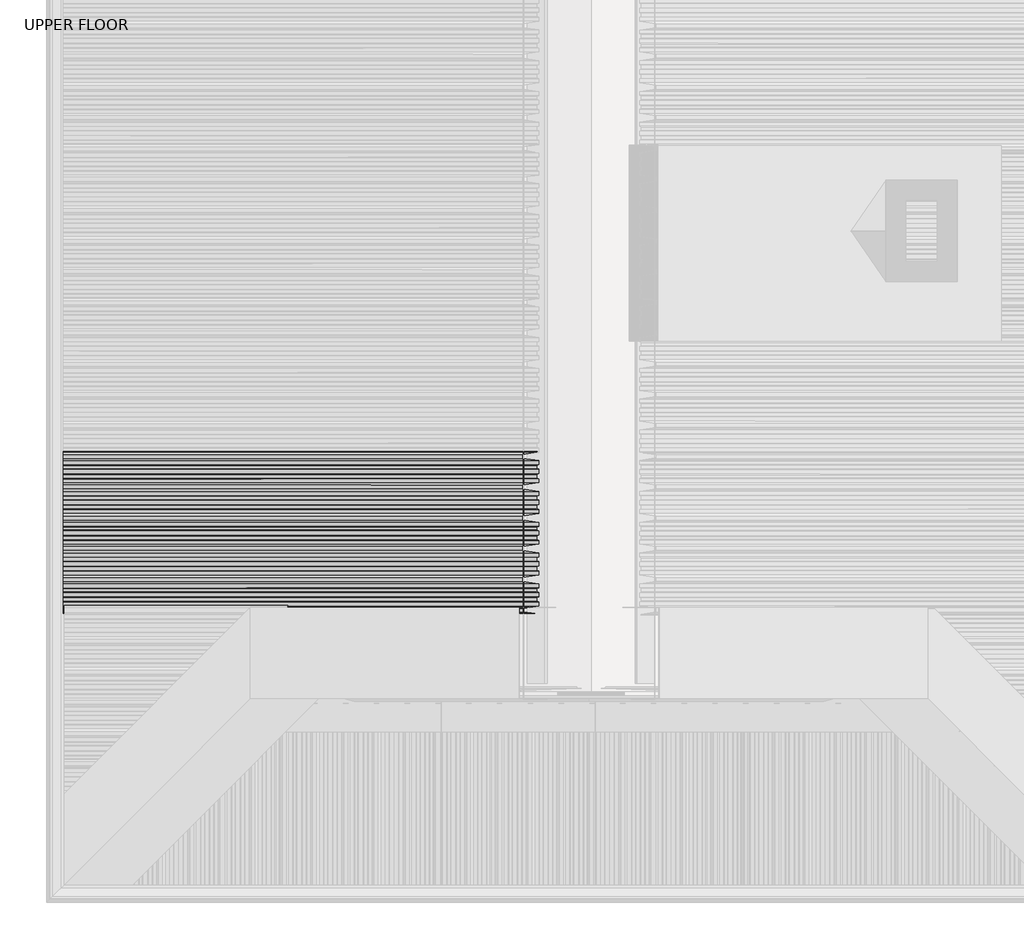
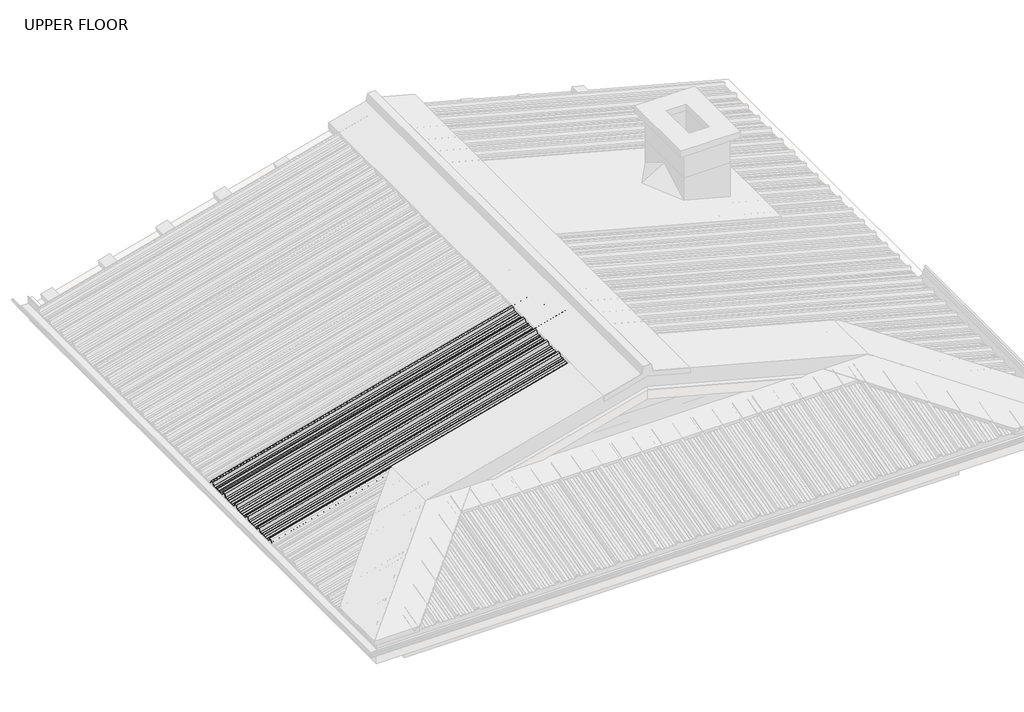
# One storey, part 11 of 21: 1 beam.
"""IFC4 building model written with IfcOpenShell, lengths in millimetres."""

from ifc_helpers import new_model, si_unit, frame, origin, place, context, project, spatial, circle_curve, ellipse_curve, element, save
from ifc_brep_helpers import plane_surface, cylinder_surface, advanced_brep

model = new_model("IFC4")

# Units and contexts
model_context = context("Model", 3, world=origin())
ifc_project = project(units=[si_unit("LENGTHUNIT", "METRE", prefix="MILLI")], contexts=[model_context])

# Site, building, storey
site = spatial("IfcSite", under=ifc_project)
building = spatial("IfcBuilding", under=site)
storey = spatial("IfcBuildingStorey", under=building, Name="UPPER FLOOR", Elevation=2700.0)

# Beam
placement = place(None, origin())
element("IfcBeam", 1, at=placement, inside=storey, context=model_context, shape_type="AdvancedBrep", body=[
    advanced_brep(
    [(1917.2790312, -3263.8606242, 3943.7544033), (1916.7613931, -3259.7340222, 3945.6862549), (1916.7613931, -3242.1271871, 3945.6862549), (1917.2790312, -3238.8630231, 3943.7544033), (1917.2790312, -3216.5760149, 3943.7544033), (1916.7613931, -3213.5345564, 3945.6862549), (1916.7613931, -3197.8687525, 3945.6862549), (1917.2790312, -3194.8251106, 3943.7544033), (1917.2790312, -3174.5026721, 3943.7544033), (1911.8438312, -3162.5173163, 3964.0388456), (1911.8438312, -3143.516097, 3964.0388456), (1917.2790312, -3131.5026721, 3943.7544033), (1917.2790312, -3111.8606242, 3943.7544033), (1916.7613931, -3107.7340222, 3945.6862549), (1916.7613931, -3090.1271871, 3945.6862549), (1917.2790312, -3086.8630231, 3943.7544033), (1917.2790312, -3064.5760149, 3943.7544033), (1916.7613931, -3061.5345564, 3945.6862549), (1916.7613931, -3045.8687525, 3945.6862549), (1917.2790312, -3042.8251106, 3943.7544033), (1917.2790312, -3022.5026721, 3943.7544033), (1911.8438312, -3010.5173163, 3964.0388456), (1911.8438312, -2991.516097, 3964.0388456), (1917.2790312, -2979.5026721, 3943.7544033), (1917.2790312, -2959.8606242, 3943.7544033), (1916.7613931, -2955.7340222, 3945.6862549), (1916.7613931, -2938.1271871, 3945.6862549), (1917.2790312, -2934.8630231, 3943.7544033), (1917.2790312, -2912.5760149, 3943.7544033), (1916.7613931, -2909.5345564, 3945.6862549), (1916.7613931, -2893.8687525, 3945.6862549), (1917.2790312, -2890.8251106, 3943.7544033), (1917.2790312, -2870.5026721, 3943.7544033), (1911.8438312, -2858.5173163, 3964.0388456), (1911.8438312, -2839.516097, 3964.0388456), (1917.2790312, -2827.5026721, 3943.7544033), (1917.2790312, -2807.8606242, 3943.7544033), (1916.7613931, -2803.7340222, 3945.6862549), (1916.7613931, -2786.1271871, 3945.6862549), (1917.2790312, -2782.8630231, 3943.7544033), (1917.2790312, -2760.5760149, 3943.7544033), (1916.7613931, -2757.5345564, 3945.6862549), (1916.7613931, -2741.8687525, 3945.6862549), (1917.2790312, -2738.8251106, 3943.7544033), (1917.2790312, -2718.5026721, 3943.7544033), (1911.8438312, -2706.5173163, 3964.0388456), (1911.8438312, -2687.516097, 3964.0388456), (1917.2790312, -2675.5026721, 3943.7544033), (1917.2790312, -2655.8606242, 3943.7544033), (1916.7613931, -2651.7340222, 3945.6862549), (1916.7613931, -2634.1271871, 3945.6862549), (1917.2790312, -2630.8630231, 3943.7544033), (1917.2790312, -2608.5760149, 3943.7544033), (1916.7613931, -2605.5345564, 3945.6862549), (1916.7613931, -2589.8687525, 3945.6862549), (1917.2790312, -2586.8251106, 3943.7544033), (1917.2790312, -2566.5026721, 3943.7544033), (1911.8438312, -2554.5173163, 3964.0388456), (1911.8438312, -2535.516097, 3964.0388456), (1916.7613931, -2524.6468079, 3945.6862549), (1916.7613931, -2521.2112782, 3945.6862549), (1916.502574, -2521.2112782, 3946.6521808), (1916.502574, -2524.1474175, 3946.6521808), (1911.5850122, -2535.0167067, 3965.0047715), (1911.5850122, -2555.0167067, 3965.0047715), (1917.0202121, -2567.0020625, 3944.7203291), (1917.0202121, -2586.5259596, 3944.7203291), (1916.502574, -2589.5696015, 3946.6521808), (1916.502574, -2605.8338868, 3946.6521808), (1917.0202121, -2608.8753453, 3944.7203291), (1917.0202121, -2630.5810278, 3944.7203291), (1916.502574, -2633.8451918, 3946.6521808), (1916.502574, -2651.9635821, 3946.6521808), (1917.0202121, -2656.0901841, 3944.7203291), (1917.0202121, -2675.0032818, 3944.7203291), (1911.5850122, -2687.0167067, 3965.0047715), (1911.5850122, -2707.0167067, 3965.0047715), (1917.0202121, -2719.0020625, 3944.7203291), (1917.0202121, -2738.5259596, 3944.7203291), (1916.502574, -2741.5696015, 3946.6521808), (1916.502574, -2757.8338868, 3946.6521808), (1917.0202121, -2760.8753453, 3944.7203291), (1917.0202121, -2782.5810278, 3944.7203291), (1916.502574, -2785.8451918, 3946.6521808), (1916.502574, -2803.9635821, 3946.6521808), (1917.0202121, -2808.0901841, 3944.7203291), (1917.0202121, -2827.0032818, 3944.7203291), (1911.5850122, -2839.0167067, 3965.0047715), (1911.5850122, -2859.0167067, 3965.0047715), (1917.0202121, -2871.0020625, 3944.7203291), (1917.0202121, -2890.5259596, 3944.7203291), (1916.502574, -2893.5696015, 3946.6521808), (1916.502574, -2909.8338868, 3946.6521808), (1917.0202121, -2912.8753453, 3944.7203291), (1917.0202121, -2934.5810278, 3944.7203291), (1916.502574, -2937.8451918, 3946.6521808), (1916.502574, -2955.9635821, 3946.6521808), (1917.0202121, -2960.0901841, 3944.7203291), (1917.0202121, -2979.0032818, 3944.7203291), (1911.5850122, -2991.0167067, 3965.0047715), (1911.5850122, -3011.0167067, 3965.0047715), (1917.0202121, -3023.0020625, 3944.7203291), (1917.0202121, -3042.5259596, 3944.7203291), (1916.502574, -3045.5696015, 3946.6521808), (1916.502574, -3061.8338868, 3946.6521808), (1917.0202121, -3064.8753453, 3944.7203291), (1917.0202121, -3086.5810278, 3944.7203291), (1916.502574, -3089.8451918, 3946.6521808), (1916.502574, -3107.9635821, 3946.6521808), (1917.0202121, -3112.0901841, 3944.7203291), (1917.0202121, -3131.0032818, 3944.7203291), (1911.5850122, -3143.0167067, 3965.0047715), (1911.5850122, -3163.0167067, 3965.0047715), (1917.0202121, -3175.0020625, 3944.7203291), (1917.0202121, -3194.5259596, 3944.7203291), (1916.502574, -3197.5696015, 3946.6521808), (1916.502574, -3213.8338868, 3946.6521808), (1917.0202121, -3216.8753453, 3944.7203291), (1917.0202121, -3238.5810278, 3944.7203291), (1916.502574, -3241.8451918, 3946.6521808), (1916.502574, -3259.9635821, 3946.6521808), (1917.0202121, -3264.0901841, 3944.7203291), (1917.0202121, -3285.3074186, 3944.7203291), (1912.1026503, -3296.1767078, 3963.0729198), (1912.1026503, -3313.8553585, 3963.0729198), (1915.7270273, -3321.8476034, 3949.5465605), (1915.8462625, -3321.0404117, 3949.1015686), (1912.3614693, -3313.3559682, 3962.106994), (1912.3614693, -3296.6760982, 3962.106994), (1917.2790312, -3285.806809, 3943.7544033), (-595.339528, -3259.7340222, 3272.5708418), (-595.339528, -3242.1271871, 3272.5708418), (-595.339528, -3238.8630231, 3270.5002895), (-595.339528, -3216.5760149, 3270.5002895), (-595.339528, -3213.5345564, 3272.5708418), (-595.339528, -3197.8687525, 3272.5708418), (-595.339528, -3194.8251106, 3270.5002895), (-595.339528, -3174.5026721, 3270.5002895), (-595.339528, -3162.5173163, 3292.2410893), (-595.339528, -3143.516097, 3292.2410893), (-595.339528, -3131.5026721, 3270.5002895), (-595.339528, -3111.8606242, 3270.5002895), (-595.339528, -3107.7340222, 3272.5708418), (-595.339528, -3090.1271871, 3272.5708418), (-595.339528, -3086.8630231, 3270.5002895), (-595.339528, -3064.5760149, 3270.5002895), (-595.339528, -3061.5345564, 3272.5708418), (-595.339528, -3045.8687525, 3272.5708418), (-595.339528, -3042.8251106, 3270.5002895), (-595.339528, -3022.5026721, 3270.5002895), (-595.339528, -3010.5173163, 3292.2410893), (-595.339528, -2991.516097, 3292.2410893), (-595.339528, -2979.5026721, 3270.5002895), (-595.339528, -2959.8606242, 3270.5002895), (-595.339528, -2955.7340222, 3272.5708418), (-595.339528, -2938.1271871, 3272.5708418), (-595.339528, -2934.8630231, 3270.5002895), (-595.339528, -2912.5760149, 3270.5002895), (-595.339528, -2909.5345564, 3272.5708418), (-595.339528, -2893.8687525, 3272.5708418), (-595.339528, -2890.8251106, 3270.5002895), (-595.339528, -2870.5026721, 3270.5002895), (-595.339528, -2858.5173163, 3292.2410893), (-595.339528, -2839.516097, 3292.2410893), (-595.339528, -2827.5026721, 3270.5002895), (-595.339528, -2807.8606242, 3270.5002895), (-595.339528, -2803.7340222, 3272.5708418), (-595.339528, -2786.1271871, 3272.5708418), (-595.339528, -2782.8630231, 3270.5002895), (-595.339528, -2760.5760149, 3270.5002895), (-595.339528, -2757.5345564, 3272.5708418), (-595.339528, -2741.8687525, 3272.5708418), (-595.339528, -2738.8251106, 3270.5002895), (-595.339528, -2718.5026721, 3270.5002895), (-595.339528, -2706.5173163, 3292.2410893), (-595.339528, -2687.516097, 3292.2410893), (-595.339528, -2675.5026721, 3270.5002895), (-595.339528, -2655.8606242, 3270.5002895), (-595.339528, -2651.7340222, 3272.5708418), (-595.339528, -2634.1271871, 3272.5708418), (-595.339528, -2630.8630231, 3270.5002895), (-595.339528, -2608.5760149, 3270.5002895), (-595.339528, -2605.5345564, 3272.5708418), (-595.339528, -2589.8687525, 3272.5708418), (-595.339528, -2586.8251106, 3270.5002895), (-595.339528, -2566.5026721, 3270.5002895), (-595.339528, -2554.5173163, 3292.2410893), (-595.339528, -2535.516097, 3292.2410893), (-595.339528, -2524.6468079, 3272.5708418), (-595.339528, -2521.2112782, 3272.5708418), (-595.339528, -2521.2112782, 3273.606118), (-595.339528, -2524.1474175, 3273.606118), (-595.339528, -2535.0167067, 3293.2763654), (-595.339528, -2555.0167067, 3293.2763654), (-595.339528, -2567.0020625, 3271.5355656), (-595.339528, -2586.5259596, 3271.5355656), (-595.339528, -2589.5696015, 3273.606118), (-595.339528, -2605.8338868, 3273.606118), (-595.339528, -2608.8753453, 3271.5355656), (-595.339528, -2630.5810278, 3271.5355656), (-595.339528, -2633.8451918, 3273.606118), (-595.339528, -2651.9635821, 3273.606118), (-595.339528, -2656.0901841, 3271.5355656), (-595.339528, -2675.0032818, 3271.5355656), (-595.339528, -2687.0167067, 3293.2763654), (-595.339528, -2707.0167067, 3293.2763654), (-595.339528, -2719.0020625, 3271.5355656), (-595.339528, -2738.5259596, 3271.5355656), (-595.339528, -2741.5696015, 3273.606118), (-595.339528, -2757.8338868, 3273.606118), (-595.339528, -2760.8753453, 3271.5355656), (-595.339528, -2782.5810278, 3271.5355656), (-595.339528, -2785.8451918, 3273.606118), (-595.339528, -2803.9635821, 3273.606118), (-595.339528, -2808.0901841, 3271.5355656), (-595.339528, -2827.0032818, 3271.5355656), (-595.339528, -2839.0167067, 3293.2763654), (-595.339528, -2859.0167067, 3293.2763654), (-595.339528, -2871.0020625, 3271.5355656), (-595.339528, -2890.5259596, 3271.5355656), (-595.339528, -2893.5696015, 3273.606118), (-595.339528, -2909.8338868, 3273.606118), (-595.339528, -2912.8753453, 3271.5355656), (-595.339528, -2934.5810278, 3271.5355656), (-595.339528, -2937.8451918, 3273.606118), (-595.339528, -2955.9635821, 3273.606118), (-595.339528, -2960.0901841, 3271.5355656), (-595.339528, -2979.0032818, 3271.5355656), (-595.339528, -2991.0167067, 3293.2763654), (-595.339528, -3011.0167067, 3293.2763654), (-595.339528, -3023.0020625, 3271.5355656), (-595.339528, -3042.5259596, 3271.5355656), (-595.339528, -3045.5696015, 3273.606118), (-595.339528, -3061.8338868, 3273.606118), (-595.339528, -3064.8753453, 3271.5355656), (-595.339528, -3086.5810278, 3271.5355656), (-595.339528, -3089.8451918, 3273.606118), (-595.339528, -3107.9635821, 3273.606118), (-595.339528, -3112.0901841, 3271.5355656), (-595.339528, -3131.0032818, 3271.5355656), (-595.339528, -3143.0167067, 3293.2763654), (-595.339528, -3163.0167067, 3293.2763654), (-595.339528, -3175.0020625, 3271.5355656), (-595.339528, -3194.5259596, 3271.5355656), (-595.339528, -3263.8606242, 3270.5002895), (-595.339528, -3197.5696015, 3273.606118), (-595.339528, -3213.8338868, 3273.606118), (-595.339528, -3216.8753453, 3271.5355656), (-595.339528, -3238.5810278, 3271.5355656), (-595.339528, -3241.8451918, 3273.606118), (-595.339528, -3259.9635821, 3273.606118), (-595.339528, -3264.0901841, 3271.5355656), (-595.339528, -3285.3074186, 3271.5355656), (-595.339528, -3296.1767078, 3291.2058131), (-595.339528, -3313.8553585, 3291.2058131), (-595.339528, -3321.8476034, 3276.7083049), (-595.339528, -3321.0404117, 3276.231364), (-595.339528, -3313.3559682, 3290.1705369), (-595.339528, -3296.6760982, 3290.1705369), (-595.339528, -3285.806809, 3270.5002895)],
    [
        (0, 1),
        (1, 2),
        (2, 3),
        (3, 4),
        (4, 5),
        (5, 6),
        (6, 7),
        (7, 8),
        (8, 9),
        (9, 10),
        (10, 11),
        (11, 12),
        (12, 13),
        (13, 14),
        (14, 15),
        (15, 16),
        (16, 17),
        (17, 18),
        (18, 19),
        (19, 20),
        (20, 21),
        (21, 22),
        (22, 23),
        (23, 24),
        (24, 25),
        (25, 26),
        (26, 27),
        (27, 28),
        (28, 29),
        (29, 30),
        (30, 31),
        (31, 32),
        (32, 33),
        (33, 34),
        (34, 35),
        (35, 36),
        (36, 37),
        (37, 38),
        (38, 39),
        (39, 40),
        (40, 41),
        (41, 42),
        (42, 43),
        (43, 44),
        (44, 45),
        (45, 46),
        (46, 47),
        (47, 48),
        (48, 49),
        (49, 50),
        (50, 51),
        (51, 52),
        (52, 53),
        (53, 54),
        (54, 55),
        (55, 56),
        (56, 57),
        (57, 58),
        (58, 59),
        (59, 60),
        (60, 61, circle_curve(frame((1916.6319836, -2521.2112782, 3946.1692179), z_axis=(0.9659258262890683, 0.0, 0.25881904510252074), x_axis=(0.0, 1.0, 0.0)), 0.5)),
        (61, 62),
        (62, 63),
        (63, 64),
        (64, 65),
        (65, 66),
        (66, 67),
        (67, 68),
        (68, 69),
        (69, 70),
        (70, 71),
        (71, 72),
        (72, 73),
        (73, 74),
        (74, 75),
        (75, 76),
        (76, 77),
        (77, 78),
        (78, 79),
        (79, 80),
        (80, 81),
        (81, 82),
        (82, 83),
        (83, 84),
        (84, 85),
        (85, 86),
        (86, 87),
        (87, 88),
        (88, 89),
        (89, 90),
        (90, 91),
        (91, 92),
        (92, 93),
        (93, 94),
        (94, 95),
        (95, 96),
        (96, 97),
        (97, 98),
        (98, 99),
        (99, 100),
        (100, 101),
        (101, 102),
        (102, 103),
        (103, 104),
        (104, 105),
        (105, 106),
        (106, 107),
        (107, 108),
        (108, 109),
        (109, 110),
        (110, 111),
        (111, 112),
        (112, 113),
        (113, 114),
        (114, 115),
        (115, 116),
        (116, 117),
        (117, 118),
        (118, 119),
        (119, 120),
        (120, 121),
        (121, 122),
        (122, 123),
        (123, 124),
        (124, 125),
        (125, 126, circle_curve(frame((1915.7866449, -3321.4440075, 3949.3240646), z_axis=(0.9659258262890683, 0.0, 0.25881904510252074), x_axis=(0.0, 1.0, 0.0)), 0.4647024)),
        (126, 127),
        (127, 128),
        (128, 129),
        (129, 0),
        (1, 130),
        (130, 131),
        (131, 2),
        (131, 132),
        (132, 3),
        (132, 133),
        (133, 4),
        (133, 134),
        (134, 5),
        (134, 135),
        (135, 6),
        (135, 136),
        (136, 7),
        (136, 137),
        (137, 8),
        (137, 138),
        (138, 9),
        (138, 139),
        (139, 10),
        (139, 140),
        (140, 11),
        (140, 141),
        (141, 12),
        (141, 142),
        (142, 13),
        (142, 143),
        (143, 14),
        (143, 144),
        (144, 15),
        (144, 145),
        (145, 16),
        (145, 146),
        (146, 17),
        (146, 147),
        (147, 18),
        (147, 148),
        (148, 19),
        (148, 149),
        (149, 20),
        (149, 150),
        (150, 21),
        (150, 151),
        (151, 22),
        (151, 152),
        (152, 23),
        (152, 153),
        (153, 24),
        (153, 154),
        (154, 25),
        (154, 155),
        (155, 26),
        (155, 156),
        (156, 27),
        (156, 157),
        (157, 28),
        (157, 158),
        (158, 29),
        (158, 159),
        (159, 30),
        (159, 160),
        (160, 31),
        (160, 161),
        (161, 32),
        (161, 162),
        (162, 33),
        (162, 163),
        (163, 34),
        (163, 164),
        (164, 35),
        (164, 165),
        (165, 36),
        (165, 166),
        (166, 37),
        (166, 167),
        (167, 38),
        (167, 168),
        (168, 39),
        (168, 169),
        (169, 40),
        (169, 170),
        (170, 41),
        (170, 171),
        (171, 42),
        (171, 172),
        (172, 43),
        (172, 173),
        (173, 44),
        (173, 174),
        (174, 45),
        (174, 175),
        (175, 46),
        (175, 176),
        (176, 47),
        (176, 177),
        (177, 48),
        (177, 178),
        (178, 49),
        (178, 179),
        (179, 50),
        (179, 180),
        (180, 51),
        (180, 181),
        (181, 52),
        (181, 182),
        (182, 53),
        (182, 183),
        (183, 54),
        (183, 184),
        (184, 55),
        (184, 185),
        (185, 56),
        (185, 186),
        (186, 57),
        (186, 187),
        (187, 58),
        (187, 188),
        (188, 59),
        (188, 189),
        (189, 60),
        (189, 190, ellipse_curve(frame((-595.339528, -2521.2112782, 3273.0884799), z_axis=(1.0, 0.0, 0.0), x_axis=(0.0, 0.0, 1.0)), 0.5176381, 0.5)),
        (190, 61),
        (190, 191),
        (191, 62),
        (191, 192),
        (192, 63),
        (192, 193),
        (193, 64),
        (193, 194),
        (194, 65),
        (194, 195),
        (195, 66),
        (195, 196),
        (196, 67),
        (196, 197),
        (197, 68),
        (197, 198),
        (198, 69),
        (198, 199),
        (199, 70),
        (199, 200),
        (200, 71),
        (200, 201),
        (201, 72),
        (201, 202),
        (202, 73),
        (202, 203),
        (203, 74),
        (203, 204),
        (204, 75),
        (204, 205),
        (205, 76),
        (205, 206),
        (206, 77),
        (206, 207),
        (207, 78),
        (207, 208),
        (208, 79),
        (208, 209),
        (209, 80),
        (209, 210),
        (210, 81),
        (210, 211),
        (211, 82),
        (211, 212),
        (212, 83),
        (212, 213),
        (213, 84),
        (213, 214),
        (214, 85),
        (214, 215),
        (215, 86),
        (215, 216),
        (216, 87),
        (216, 217),
        (217, 88),
        (217, 218),
        (218, 89),
        (218, 219),
        (219, 90),
        (219, 220),
        (220, 91),
        (220, 221),
        (221, 92),
        (221, 222),
        (222, 93),
        (222, 223),
        (223, 94),
        (223, 224),
        (224, 95),
        (224, 225),
        (225, 96),
        (225, 226),
        (226, 97),
        (226, 227),
        (227, 98),
        (227, 228),
        (228, 99),
        (228, 229),
        (229, 100),
        (229, 230),
        (230, 101),
        (230, 231),
        (231, 102),
        (231, 232),
        (232, 103),
        (232, 233),
        (233, 104),
        (233, 234),
        (234, 105),
        (234, 235),
        (235, 106),
        (235, 236),
        (236, 107),
        (236, 237),
        (237, 108),
        (237, 238),
        (238, 109),
        (238, 239),
        (239, 110),
        (239, 240),
        (240, 111),
        (240, 241),
        (241, 112),
        (241, 242),
        (242, 113),
        (242, 243),
        (243, 114),
        (0, 244),
        (244, 130),
        (243, 245),
        (245, 115),
        (245, 246),
        (246, 116),
        (246, 247),
        (247, 117),
        (247, 248),
        (248, 118),
        (248, 249),
        (249, 119),
        (249, 250),
        (250, 120),
        (250, 251),
        (251, 121),
        (251, 252),
        (252, 122),
        (252, 253),
        (253, 123),
        (253, 254),
        (254, 124),
        (254, 255),
        (255, 125),
        (255, 256, ellipse_curve(frame((-595.339528, -3321.4440075, 3276.4698345), z_axis=(1.0, 0.0, 0.0), x_axis=(0.0, 0.0, 1.0)), 0.4810953, 0.4647024)),
        (256, 126),
        (256, 257),
        (257, 127),
        (257, 258),
        (258, 128),
        (258, 259),
        (259, 129),
        (259, 244),
    ],
    [
        plane_surface(frame((1917.2790312, -3263.8606242, 3943.7544033), z_axis=(0.9659258262890684, 0.0, 0.2588190451025208), x_axis=(-0.11288039666962565, 0.8998805887467908, 0.42127537554957717))),
        plane_surface(frame((1916.7613931, -3259.7340222, 3945.6862549), z_axis=(0.25881904510252074, 0.0, -0.9659258262890683), x_axis=(-0.9659258262890683, 0.0, -0.25881904510252074))),
        plane_surface(frame((1916.7613931, -3242.1271871, 3945.6862549), z_axis=(0.22068801492462994, -0.5224449573492964, -0.8236188843202409), x_axis=(-0.9659258262890683, 0.0, -0.25881904510252074))),
        plane_surface(frame((1917.2790312, -3238.8630231, 3943.7544033), z_axis=(0.25881904510252074, 0.0, -0.9659258262890683), x_axis=(-0.9659258262890683, 0.0, -0.25881904510252074))),
        plane_surface(frame((1917.2790312, -3216.5760149, 3943.7544033), z_axis=(0.21625317242009617, 0.5494325148836748, -0.8070678267697484), x_axis=(-0.9659258262890683, 0.0, -0.25881904510252074))),
        plane_surface(frame((1916.7613931, -3213.5345564, 3945.6862549), z_axis=(0.25881904510252074, 0.0, -0.9659258262890683), x_axis=(-0.9659258262890683, 0.0, -0.25881904510252074))),
        plane_surface(frame((1916.7613931, -3197.8687525, 3945.6862549), z_axis=(0.21630000128988558, -0.5491572662555977, -0.80724259449107), x_axis=(-0.9659258262890683, 0.0, -0.25881904510252074))),
        plane_surface(frame((1917.2790312, -3194.8251106, 3943.7544033), z_axis=(0.25881904510252074, 0.0, -0.9659258262890683), x_axis=(-0.9659258262890683, 0.0, -0.25881904510252074))),
        plane_surface(frame((1917.2790312, -3174.5026721, 3943.7544033), z_axis=(0.1282920218529953, 0.8685039140295303, -0.4787923437611099), x_axis=(-0.9659258262890683, 0.0, -0.25881904510252074))),
        plane_surface(frame((1911.8438312, -3162.5173163, 3964.0388456), z_axis=(0.25881904510252074, 0.0, -0.9659258262890683), x_axis=(-0.9659258262890683, 0.0, -0.25881904510252074))),
        plane_surface(frame((1911.8438312, -3143.516097, 3964.0388456), z_axis=(0.12851845745027882, -0.8680040081860078, -0.47963741291482476), x_axis=(-0.9659258262890683, 0.0, -0.25881904510252074))),
        plane_surface(frame((1917.2790312, -3131.5026721, 3943.7544033), z_axis=(0.25881904510252074, 0.0, -0.9659258262890683), x_axis=(-0.9659258262890683, 0.0, -0.25881904510252074))),
        plane_surface(frame((1917.2790312, -3111.8606242, 3943.7544033), z_axis=(0.23290623468573923, 0.43613636169978914, -0.8692179012467369), x_axis=(-0.9659258262890683, 0.0, -0.25881904510252074))),
        plane_surface(frame((1916.7613931, -3107.7340222, 3945.6862549), z_axis=(0.25881904510252074, 0.0, -0.9659258262890683), x_axis=(-0.9659258262890683, 0.0, -0.25881904510252074))),
        plane_surface(frame((1916.7613931, -3090.1271871, 3945.6862549), z_axis=(0.2206880149246293, -0.5224449573493003, -0.8236188843202386), x_axis=(-0.9659258262890683, 0.0, -0.25881904510252074))),
        plane_surface(frame((1917.2790312, -3086.8630231, 3943.7544033), z_axis=(0.25881904510252074, 0.0, -0.9659258262890683), x_axis=(-0.9659258262890683, 0.0, -0.25881904510252074))),
        plane_surface(frame((1917.2790312, -3064.5760149, 3943.7544033), z_axis=(0.21625317242009587, 0.5494325148836765, -0.8070678267697472), x_axis=(-0.9659258262890683, 0.0, -0.25881904510252074))),
        plane_surface(frame((1916.7613931, -3061.5345564, 3945.6862549), z_axis=(0.25881904510252074, 0.0, -0.9659258262890683), x_axis=(-0.9659258262890683, 0.0, -0.25881904510252074))),
        plane_surface(frame((1916.7613931, -3045.8687525, 3945.6862549), z_axis=(0.2163000012898864, -0.5491572662555927, -0.8072425944910732), x_axis=(-0.9659258262890683, 0.0, -0.25881904510252074))),
        plane_surface(frame((1917.2790312, -3042.8251106, 3943.7544033), z_axis=(0.25881904510252074, 0.0, -0.9659258262890683), x_axis=(-0.9659258262890683, 0.0, -0.25881904510252074))),
        plane_surface(frame((1917.2790312, -3022.5026721, 3943.7544033), z_axis=(0.12829202185299557, 0.8685039140295296, -0.4787923437611109), x_axis=(-0.9659258262890683, 0.0, -0.25881904510252074))),
        plane_surface(frame((1911.8438312, -3010.5173163, 3964.0388456), z_axis=(0.25881904510252074, 0.0, -0.9659258262890683), x_axis=(-0.9659258262890683, 0.0, -0.25881904510252074))),
        plane_surface(frame((1911.8438312, -2991.516097, 3964.0388456), z_axis=(0.1285184574502785, -0.8680040081860083, -0.4796374129148237), x_axis=(-0.9659258262890683, 0.0, -0.25881904510252074))),
        plane_surface(frame((1917.2790312, -2979.5026721, 3943.7544033), z_axis=(0.25881904510252074, 0.0, -0.9659258262890683), x_axis=(-0.9659258262890683, 0.0, -0.25881904510252074))),
        plane_surface(frame((1917.2790312, -2959.8606242, 3943.7544033), z_axis=(0.23290623468573957, 0.4361363616997864, -0.8692179012467383), x_axis=(-0.9659258262890683, 0.0, -0.25881904510252074))),
        plane_surface(frame((1916.7613931, -2955.7340222, 3945.6862549), z_axis=(0.25881904510252074, 0.0, -0.9659258262890683), x_axis=(-0.9659258262890683, 0.0, -0.25881904510252074))),
        plane_surface(frame((1916.7613931, -2938.1271871, 3945.6862549), z_axis=(0.22068801492462894, -0.5224449573493029, -0.8236188843202372), x_axis=(-0.9659258262890683, 0.0, -0.25881904510252074))),
        plane_surface(frame((1917.2790312, -2934.8630231, 3943.7544033), z_axis=(0.25881904510252074, 0.0, -0.9659258262890683), x_axis=(-0.9659258262890683, 0.0, -0.25881904510252074))),
        plane_surface(frame((1917.2790312, -2912.5760149, 3943.7544033), z_axis=(0.21625317242009884, 0.5494325148836595, -0.8070678267697583), x_axis=(-0.9659258262890683, 0.0, -0.25881904510252074))),
        plane_surface(frame((1916.7613931, -2909.5345564, 3945.6862549), z_axis=(0.25881904510252074, 0.0, -0.9659258262890683), x_axis=(-0.9659258262890683, 0.0, -0.25881904510252074))),
        plane_surface(frame((1916.7613931, -2893.8687525, 3945.6862549), z_axis=(0.2163000012898864, -0.5491572662555927, -0.8072425944910732), x_axis=(-0.9659258262890683, 0.0, -0.25881904510252074))),
        plane_surface(frame((1917.2790312, -2890.8251106, 3943.7544033), z_axis=(0.25881904510252074, 0.0, -0.9659258262890683), x_axis=(-0.9659258262890683, 0.0, -0.25881904510252074))),
        plane_surface(frame((1917.2790312, -2870.5026721, 3943.7544033), z_axis=(0.1282920218529953, 0.8685039140295303, -0.4787923437611099), x_axis=(-0.9659258262890683, 0.0, -0.25881904510252074))),
        plane_surface(frame((1911.8438312, -2858.5173163, 3964.0388456), z_axis=(0.25881904510252074, 0.0, -0.9659258262890683), x_axis=(-0.9659258262890683, 0.0, -0.25881904510252074))),
        plane_surface(frame((1911.8438312, -2839.516097, 3964.0388456), z_axis=(0.1285184574502785, -0.8680040081860083, -0.4796374129148237), x_axis=(-0.9659258262890683, 0.0, -0.25881904510252074))),
        plane_surface(frame((1917.2790312, -2827.5026721, 3943.7544033), z_axis=(0.25881904510252074, 0.0, -0.9659258262890683), x_axis=(-0.9659258262890683, 0.0, -0.25881904510252074))),
        plane_surface(frame((1917.2790312, -2807.8606242, 3943.7544033), z_axis=(0.23290623468573923, 0.43613636169978914, -0.8692179012467369), x_axis=(-0.9659258262890683, 0.0, -0.25881904510252074))),
        plane_surface(frame((1916.7613931, -2803.7340222, 3945.6862549), z_axis=(0.25881904510252074, 0.0, -0.9659258262890683), x_axis=(-0.9659258262890683, 0.0, -0.25881904510252074))),
        plane_surface(frame((1916.7613931, -2786.1271871, 3945.6862549), z_axis=(0.22068801492462942, -0.5224449573492995, -0.823618884320239), x_axis=(-0.9659258262890683, 0.0, -0.25881904510252074))),
        plane_surface(frame((1917.2790312, -2782.8630231, 3943.7544033), z_axis=(0.25881904510252074, 0.0, -0.9659258262890683), x_axis=(-0.9659258262890683, 0.0, -0.25881904510252074))),
        plane_surface(frame((1917.2790312, -2760.5760149, 3943.7544033), z_axis=(0.2162531724200974, 0.5494325148836681, -0.8070678267697529), x_axis=(-0.9659258262890683, 0.0, -0.25881904510252074))),
        plane_surface(frame((1916.7613931, -2757.5345564, 3945.6862549), z_axis=(0.25881904510252074, 0.0, -0.9659258262890683), x_axis=(-0.9659258262890683, 0.0, -0.25881904510252074))),
        plane_surface(frame((1916.7613931, -2741.8687525, 3945.6862549), z_axis=(0.2163000012898867, -0.5491572662555911, -0.8072425944910743), x_axis=(-0.9659258262890683, 0.0, -0.25881904510252074))),
        plane_surface(frame((1917.2790312, -2738.8251106, 3943.7544033), z_axis=(0.25881904510252074, 0.0, -0.9659258262890683), x_axis=(-0.9659258262890683, 0.0, -0.25881904510252074))),
        plane_surface(frame((1917.2790312, -2718.5026721, 3943.7544033), z_axis=(0.12829202185299535, 0.8685039140295302, -0.4787923437611101), x_axis=(-0.9659258262890683, 0.0, -0.25881904510252074))),
        plane_surface(frame((1911.8438312, -2706.5173163, 3964.0388456), z_axis=(0.25881904510252074, 0.0, -0.9659258262890683), x_axis=(-0.9659258262890683, 0.0, -0.25881904510252074))),
        plane_surface(frame((1911.8438312, -2687.516097, 3964.0388456), z_axis=(0.12851845745027848, -0.8680040081860083, -0.47963741291482376), x_axis=(-0.9659258262890683, 0.0, -0.25881904510252074))),
        plane_surface(frame((1917.2790312, -2675.5026721, 3943.7544033), z_axis=(0.25881904510252074, 0.0, -0.9659258262890683), x_axis=(-0.9659258262890683, 0.0, -0.25881904510252074))),
        plane_surface(frame((1917.2790312, -2655.8606242, 3943.7544033), z_axis=(0.23290623468573884, 0.43613636169979214, -0.8692179012467355), x_axis=(-0.9659258262890683, 0.0, -0.25881904510252074))),
        plane_surface(frame((1916.7613931, -2651.7340222, 3945.6862549), z_axis=(0.25881904510252074, 0.0, -0.9659258262890683), x_axis=(-0.9659258262890683, 0.0, -0.25881904510252074))),
        plane_surface(frame((1916.7613931, -2634.1271871, 3945.6862549), z_axis=(0.22068801492462942, -0.5224449573492995, -0.823618884320239), x_axis=(-0.9659258262890683, 0.0, -0.25881904510252074))),
        plane_surface(frame((1917.2790312, -2630.8630231, 3943.7544033), z_axis=(0.25881904510252074, 0.0, -0.9659258262890683), x_axis=(-0.9659258262890683, 0.0, -0.25881904510252074))),
        plane_surface(frame((1917.2790312, -2608.5760149, 3943.7544033), z_axis=(0.2162531724200954, 0.5494325148836797, -0.8070678267697454), x_axis=(-0.9659258262890683, 0.0, -0.25881904510252074))),
        plane_surface(frame((1916.7613931, -2605.5345564, 3945.6862549), z_axis=(0.25881904510252074, 0.0, -0.9659258262890683), x_axis=(-0.9659258262890683, 0.0, -0.25881904510252074))),
        plane_surface(frame((1916.7613931, -2589.8687525, 3945.6862549), z_axis=(0.21630000128988583, -0.5491572662555959, -0.8072425944910712), x_axis=(-0.9659258262890683, 0.0, -0.25881904510252074))),
        plane_surface(frame((1917.2790312, -2586.8251106, 3943.7544033), z_axis=(0.25881904510252074, 0.0, -0.9659258262890683), x_axis=(-0.9659258262890683, 0.0, -0.25881904510252074))),
        plane_surface(frame((1917.2790312, -2566.5026721, 3943.7544033), z_axis=(0.12829202185299432, 0.8685039140295325, -0.4787923437611061), x_axis=(-0.9659258262890683, 0.0, -0.25881904510252074))),
        plane_surface(frame((1911.8438312, -2554.5173163, 3964.0388456), z_axis=(0.25881904510252074, 0.0, -0.9659258262890683), x_axis=(-0.9659258262890683, 0.0, -0.25881904510252074))),
        plane_surface(frame((1911.8438312, -2535.516097, 3964.0388456), z_axis=(0.12851845745027685, -0.868004008186012, -0.4796374129148176), x_axis=(-0.9659258262890683, 0.0, -0.25881904510252074))),
        plane_surface(frame((1916.7613931, -2524.6468079, 3945.6862549), z_axis=(0.25881904510252074, 0.0, -0.9659258262890683), x_axis=(-0.9659258262890683, 0.0, -0.25881904510252074))),
        cylinder_surface(frame((-604.630117, -2521.2112782, 3270.5990741), z_axis=(0.9659258262890683, 0.0, 0.25881904510252074), x_axis=(0.0, 1.0, 0.0)), 0.5),
        plane_surface(frame((1916.502574, -2521.2112782, 3946.6521808), z_axis=(-0.25881904510252074, 0.0, 0.9659258262890683), x_axis=(-0.9659258262890683, 0.0, -0.25881904510252074))),
        plane_surface(frame((1916.502574, -2524.1474175, 3946.6521808), z_axis=(-0.12851845745027685, 0.868004008186012, 0.4796374129148176), x_axis=(-0.9659258262890683, 0.0, -0.25881904510252074))),
        plane_surface(frame((1911.5850122, -2535.0167067, 3965.0047715), z_axis=(-0.25881904510252074, 0.0, 0.9659258262890683), x_axis=(-0.9659258262890683, 0.0, -0.25881904510252074))),
        plane_surface(frame((1911.5850122, -2555.0167067, 3965.0047715), z_axis=(-0.12829202185299557, -0.8685039140295299, 0.47879234376111074), x_axis=(-0.9659258262890683, 0.0, -0.25881904510252074))),
        plane_surface(frame((1917.0202121, -2567.0020625, 3944.7203291), z_axis=(-0.25881904510252074, 0.0, 0.9659258262890683), x_axis=(-0.9659258262890683, 0.0, -0.25881904510252074))),
        plane_surface(frame((1917.0202121, -2586.5259596, 3944.7203291), z_axis=(-0.21630000128988638, 0.5491572662555927, 0.8072425944910732), x_axis=(-0.9659258262890683, 0.0, -0.25881904510252074))),
        plane_surface(frame((1916.502574, -2589.5696015, 3946.6521808), z_axis=(-0.25881904510252074, 0.0, 0.9659258262890683), x_axis=(-0.9659258262890683, 0.0, -0.25881904510252074))),
        plane_surface(frame((1916.502574, -2605.8338868, 3946.6521808), z_axis=(-0.2162531724200954, -0.5494325148836797, 0.8070678267697454), x_axis=(-0.9659258262890683, 0.0, -0.25881904510252074))),
        plane_surface(frame((1917.0202121, -2608.8753453, 3944.7203291), z_axis=(-0.25881904510252074, 0.0, 0.9659258262890683), x_axis=(-0.9659258262890683, 0.0, -0.25881904510252074))),
        plane_surface(frame((1917.0202121, -2630.5810278, 3944.7203291), z_axis=(-0.22068801492462745, 0.5224449573493121, 0.8236188843202316), x_axis=(-0.9659258262890683, 0.0, -0.25881904510252074))),
        plane_surface(frame((1916.502574, -2633.8451918, 3946.6521808), z_axis=(-0.25881904510252074, 0.0, 0.9659258262890683), x_axis=(-0.9659258262890683, 0.0, -0.25881904510252074))),
        plane_surface(frame((1916.502574, -2651.9635821, 3946.6521808), z_axis=(-0.23290623468573923, -0.43613636169978914, 0.8692179012467369), x_axis=(-0.9659258262890683, 0.0, -0.25881904510252074))),
        plane_surface(frame((1917.0202121, -2656.0901841, 3944.7203291), z_axis=(-0.25881904510252074, 0.0, 0.9659258262890683), x_axis=(-0.9659258262890683, 0.0, -0.25881904510252074))),
        plane_surface(frame((1917.0202121, -2675.0032818, 3944.7203291), z_axis=(-0.12851845745027857, 0.8680040081860081, 0.47963741291482404), x_axis=(-0.9659258262890683, 0.0, -0.25881904510252074))),
        plane_surface(frame((1911.5850122, -2687.0167067, 3965.0047715), z_axis=(-0.25881904510252074, 0.0, 0.9659258262890683), x_axis=(-0.9659258262890683, 0.0, -0.25881904510252074))),
        plane_surface(frame((1911.5850122, -2707.0167067, 3965.0047715), z_axis=(-0.12829202185299537, -0.8685039140295302, 0.47879234376111024), x_axis=(-0.9659258262890683, 0.0, -0.25881904510252074))),
        plane_surface(frame((1917.0202121, -2719.0020625, 3944.7203291), z_axis=(-0.25881904510252074, 0.0, 0.9659258262890683), x_axis=(-0.9659258262890683, 0.0, -0.25881904510252074))),
        plane_surface(frame((1917.0202121, -2738.5259596, 3944.7203291), z_axis=(-0.21630000128988697, 0.5491572662555895, 0.8072425944910753), x_axis=(-0.9659258262890683, 0.0, -0.25881904510252074))),
        plane_surface(frame((1916.502574, -2741.5696015, 3946.6521808), z_axis=(-0.25881904510252074, 0.0, 0.9659258262890683), x_axis=(-0.9659258262890683, 0.0, -0.25881904510252074))),
        plane_surface(frame((1916.502574, -2757.8338868, 3946.6521808), z_axis=(-0.2162531724200979, -0.5494325148836647, 0.8070678267697549), x_axis=(-0.9659258262890683, 0.0, -0.25881904510252074))),
        plane_surface(frame((1917.0202121, -2760.8753453, 3944.7203291), z_axis=(-0.25881904510252074, 0.0, 0.9659258262890683), x_axis=(-0.9659258262890683, 0.0, -0.25881904510252074))),
        plane_surface(frame((1917.0202121, -2782.5810278, 3944.7203291), z_axis=(-0.2206880149246287, 0.5224449573493041, 0.8236188843202363), x_axis=(-0.9659258262890683, 0.0, -0.25881904510252074))),
        plane_surface(frame((1916.502574, -2785.8451918, 3946.6521808), z_axis=(-0.25881904510252074, 0.0, 0.9659258262890683), x_axis=(-0.9659258262890683, 0.0, -0.25881904510252074))),
        plane_surface(frame((1916.502574, -2803.9635821, 3946.6521808), z_axis=(-0.23290623468574032, -0.4361363616997803, 0.869217901246741), x_axis=(-0.9659258262890683, 0.0, -0.25881904510252074))),
        plane_surface(frame((1917.0202121, -2808.0901841, 3944.7203291), z_axis=(-0.25881904510252074, 0.0, 0.9659258262890683), x_axis=(-0.9659258262890683, 0.0, -0.25881904510252074))),
        plane_surface(frame((1917.0202121, -2827.0032818, 3944.7203291), z_axis=(-0.12851845745027907, 0.8680040081860072, 0.47963741291482576), x_axis=(-0.9659258262890683, 0.0, -0.25881904510252074))),
        plane_surface(frame((1911.5850122, -2839.0167067, 3965.0047715), z_axis=(-0.25881904510252074, 0.0, 0.9659258262890683), x_axis=(-0.9659258262890683, 0.0, -0.25881904510252074))),
        plane_surface(frame((1911.5850122, -2859.0167067, 3965.0047715), z_axis=(-0.1282920218529953, -0.8685039140295303, 0.4787923437611099), x_axis=(-0.9659258262890683, 0.0, -0.25881904510252074))),
        plane_surface(frame((1917.0202121, -2871.0020625, 3944.7203291), z_axis=(-0.25881904510252074, 0.0, 0.9659258262890683), x_axis=(-0.9659258262890683, 0.0, -0.25881904510252074))),
        plane_surface(frame((1917.0202121, -2890.5259596, 3944.7203291), z_axis=(-0.2163000012898864, 0.5491572662555927, 0.8072425944910732), x_axis=(-0.9659258262890683, 0.0, -0.25881904510252074))),
        plane_surface(frame((1916.502574, -2893.5696015, 3946.6521808), z_axis=(-0.25881904510252074, 0.0, 0.9659258262890683), x_axis=(-0.9659258262890683, 0.0, -0.25881904510252074))),
        plane_surface(frame((1916.502574, -2909.8338868, 3946.6521808), z_axis=(-0.21625317242009884, -0.5494325148836595, 0.8070678267697583), x_axis=(-0.9659258262890683, 0.0, -0.25881904510252074))),
        plane_surface(frame((1917.0202121, -2912.8753453, 3944.7203291), z_axis=(-0.25881904510252074, 0.0, 0.9659258262890683), x_axis=(-0.9659258262890683, 0.0, -0.25881904510252074))),
        plane_surface(frame((1917.0202121, -2934.5810278, 3944.7203291), z_axis=(-0.22068801492462994, 0.5224449573492964, 0.8236188843202409), x_axis=(-0.9659258262890683, 0.0, -0.25881904510252074))),
        plane_surface(frame((1916.502574, -2937.8451918, 3946.6521808), z_axis=(-0.25881904510252074, 0.0, 0.9659258262890683), x_axis=(-0.9659258262890683, 0.0, -0.25881904510252074))),
        plane_surface(frame((1916.502574, -2955.9635821, 3946.6521808), z_axis=(-0.23290623468573995, -0.4361363616997833, 0.8692179012467396), x_axis=(-0.9659258262890683, 0.0, -0.25881904510252074))),
        plane_surface(frame((1917.0202121, -2960.0901841, 3944.7203291), z_axis=(-0.25881904510252074, 0.0, 0.9659258262890683), x_axis=(-0.9659258262890683, 0.0, -0.25881904510252074))),
        plane_surface(frame((1917.0202121, -2979.0032818, 3944.7203291), z_axis=(-0.12851845745027957, 0.8680040081860059, 0.47963741291482775), x_axis=(-0.9659258262890683, 0.0, -0.25881904510252074))),
        plane_surface(frame((1911.5850122, -2991.0167067, 3965.0047715), z_axis=(-0.25881904510252074, 0.0, 0.9659258262890683), x_axis=(-0.9659258262890683, 0.0, -0.25881904510252074))),
        plane_surface(frame((1911.5850122, -3011.0167067, 3965.0047715), z_axis=(-0.12829202185299537, -0.8685039140295302, 0.47879234376111024), x_axis=(-0.9659258262890683, 0.0, -0.25881904510252074))),
        plane_surface(frame((1917.0202121, -3023.0020625, 3944.7203291), z_axis=(-0.25881904510252074, 0.0, 0.9659258262890683), x_axis=(-0.9659258262890683, 0.0, -0.25881904510252074))),
        plane_surface(frame((1917.0202121, -3042.5259596, 3944.7203291), z_axis=(-0.21630000128988697, 0.5491572662555895, 0.8072425944910753), x_axis=(-0.9659258262890683, 0.0, -0.25881904510252074))),
        plane_surface(frame((1916.502574, -3045.5696015, 3946.6521808), z_axis=(-0.25881904510252074, 0.0, 0.9659258262890683), x_axis=(-0.9659258262890683, 0.0, -0.25881904510252074))),
        plane_surface(frame((1916.502574, -3061.8338868, 3946.6521808), z_axis=(-0.2162531724200972, -0.5494325148836688, 0.8070678267697521), x_axis=(-0.9659258262890683, 0.0, -0.25881904510252074))),
        plane_surface(frame((1917.0202121, -3064.8753453, 3944.7203291), z_axis=(-0.25881904510252074, 0.0, 0.9659258262890683), x_axis=(-0.9659258262890683, 0.0, -0.25881904510252074))),
        plane_surface(frame((1917.0202121, -3086.5810278, 3944.7203291), z_axis=(-0.22068801492462808, 0.5224449573493081, 0.823618884320234), x_axis=(-0.9659258262890683, 0.0, -0.25881904510252074))),
        plane_surface(frame((1916.502574, -3089.8451918, 3946.6521808), z_axis=(-0.25881904510252074, 0.0, 0.9659258262890683), x_axis=(-0.9659258262890683, 0.0, -0.25881904510252074))),
        plane_surface(frame((1916.502574, -3107.9635821, 3946.6521808), z_axis=(-0.23290623468573957, -0.4361363616997863, 0.8692179012467383), x_axis=(-0.9659258262890683, 0.0, -0.25881904510252074))),
        plane_surface(frame((1917.0202121, -3112.0901841, 3944.7203291), z_axis=(-0.25881904510252074, 0.0, 0.9659258262890683), x_axis=(-0.9659258262890683, 0.0, -0.25881904510252074))),
        plane_surface(frame((1917.0202121, -3131.0032818, 3944.7203291), z_axis=(-0.12851845745027887, 0.8680040081860075, 0.479637412914825), x_axis=(-0.9659258262890683, 0.0, -0.25881904510252074))),
        plane_surface(frame((1911.5850122, -3143.0167067, 3965.0047715), z_axis=(-0.25881904510252074, 0.0, 0.9659258262890683), x_axis=(-0.9659258262890683, 0.0, -0.25881904510252074))),
        plane_surface(frame((1911.5850122, -3163.0167067, 3965.0047715), z_axis=(-0.12829202185299537, -0.8685039140295302, 0.47879234376111024), x_axis=(-0.9659258262890683, 0.0, -0.25881904510252074))),
        plane_surface(frame((1917.0202121, -3175.0020625, 3944.7203291), z_axis=(-0.25881904510252074, 0.0, 0.9659258262890683), x_axis=(-0.9659258262890683, 0.0, -0.25881904510252074))),
        plane_surface(frame((1917.2790312, -3263.8606242, 3943.7544033), z_axis=(0.23290623468573923, 0.43613636169978914, -0.8692179012467369), x_axis=(-0.9659258262890683, 0.0, -0.25881904510252074))),
        plane_surface(frame((1917.0202121, -3194.5259596, 3944.7203291), z_axis=(-0.21630000128988616, 0.5491572662555945, 0.8072425944910723), x_axis=(-0.9659258262890683, 0.0, -0.25881904510252074))),
        plane_surface(frame((1916.502574, -3197.5696015, 3946.6521808), z_axis=(-0.25881904510252074, 0.0, 0.9659258262890683), x_axis=(-0.9659258262890683, 0.0, -0.25881904510252074))),
        plane_surface(frame((1916.502574, -3213.8338868, 3946.6521808), z_axis=(-0.21625317242009698, -0.54943251488367, 0.8070678267697514), x_axis=(-0.9659258262890683, 0.0, -0.25881904510252074))),
        plane_surface(frame((1917.0202121, -3216.8753453, 3944.7203291), z_axis=(-0.25881904510252074, 0.0, 0.9659258262890683), x_axis=(-0.9659258262890683, 0.0, -0.25881904510252074))),
        plane_surface(frame((1917.0202121, -3238.5810278, 3944.7203291), z_axis=(-0.22068801492462822, 0.5224449573493072, 0.8236188843202344), x_axis=(-0.9659258262890683, 0.0, -0.25881904510252074))),
        plane_surface(frame((1916.502574, -3241.8451918, 3946.6521808), z_axis=(-0.25881904510252074, 0.0, 0.9659258262890683), x_axis=(-0.9659258262890683, 0.0, -0.25881904510252074))),
        plane_surface(frame((1916.502574, -3259.9635821, 3946.6521808), z_axis=(-0.2329062346857396, -0.43613636169978626, 0.8692179012467384), x_axis=(-0.9659258262890683, 0.0, -0.25881904510252074))),
        plane_surface(frame((1917.0202121, -3264.0901841, 3944.7203291), z_axis=(-0.25881904510252074, 0.0, 0.9659258262890683), x_axis=(-0.9659258262890683, 0.0, -0.25881904510252074))),
        plane_surface(frame((1917.0202121, -3285.3074186, 3944.7203291), z_axis=(-0.12851845745027918, 0.8680040081860068, 0.47963741291482614), x_axis=(-0.9659258262890683, 0.0, -0.25881904510252074))),
        plane_surface(frame((1912.1026503, -3296.1767078, 3963.0729198), z_axis=(-0.25881904510252074, 0.0, 0.9659258262890683), x_axis=(-0.9659258262890683, 0.0, -0.25881904510252074))),
        plane_surface(frame((1912.1026503, -3313.8553585, 3963.0729198), z_axis=(-0.1282920218529955, -0.86850391402953, 0.4787923437611107), x_axis=(-0.9659258262890683, 0.0, -0.25881904510252074))),
        cylinder_surface(frame((-605.4754557, -3321.4440075, 3273.7539208), z_axis=(0.9659258262890683, 0.0, 0.25881904510252074), x_axis=(0.0, 1.0, 0.0)), 0.4647024),
        plane_surface(frame((1915.8462625, -3321.0404117, 3949.1015686), z_axis=(0.1282920218530093, 0.8685039140294994, -0.47879234376116225), x_axis=(-0.9659258262890683, 0.0, -0.25881904510252074))),
        plane_surface(frame((1912.3614693, -3313.3559682, 3962.106994), z_axis=(0.25881904510252074, 0.0, -0.9659258262890683), x_axis=(-0.9659258262890683, 0.0, -0.25881904510252074))),
        plane_surface(frame((1912.3614693, -3296.6760982, 3962.106994), z_axis=(0.12851845745027843, -0.8680040081860085, -0.4796374129148233), x_axis=(-0.9659258262890683, 0.0, -0.25881904510252074))),
        plane_surface(frame((1917.2790312, -3285.806809, 3943.7544033), z_axis=(0.25881904510252074, 0.0, -0.9659258262890683), x_axis=(-0.9659258262890683, 0.0, -0.25881904510252074))),
        plane_surface(frame((-595.339528, -5105.0, 3739.5229882), z_axis=(-1.0, 0.0, 0.0), x_axis=(0.0, 0.0, -1.0))),
    ],
    [
        (0, [[1, 2, 3, 4, 5, 6, 7, 8, 9, 10, 11, 12, 13, 14, 15, 16, 17, 18, 19, 20, 21, 22, 23, 24, 25, 26, 27, 28, 29, 30, 31, 32, 33, 34, 35, 36, 37, 38, 39, 40, 41, 42, 43, 44, 45, 46, 47, 48, 49, 50, 51, 52, 53, 54, 55, 56, 57, 58, 59, 60, 61, 62, 63, 64, 65, 66, 67, 68, 69, 70, 71, 72, 73, 74, 75, 76, 77, 78, 79, 80, 81, 82, 83, 84, 85, 86, 87, 88, 89, 90, 91, 92, 93, 94, 95, 96, 97, 98, 99, 100, 101, 102, 103, 104, 105, 106, 107, 108, 109, 110, 111, 112, 113, 114, 115, 116, 117, 118, 119, 120, 121, 122, 123, 124, 125, 126, 127, 128, 129, 130]]),
        (1, [[-2, 131, 132, 133]]),
        (2, [[-3, -133, 134, 135]]),
        (3, [[-4, -135, 136, 137]]),
        (4, [[-5, -137, 138, 139]]),
        (5, [[-6, -139, 140, 141]]),
        (6, [[-7, -141, 142, 143]]),
        (7, [[-8, -143, 144, 145]]),
        (8, [[-9, -145, 146, 147]]),
        (9, [[-10, -147, 148, 149]]),
        (10, [[-11, -149, 150, 151]]),
        (11, [[-12, -151, 152, 153]]),
        (12, [[-13, -153, 154, 155]]),
        (13, [[-14, -155, 156, 157]]),
        (14, [[-15, -157, 158, 159]]),
        (15, [[-16, -159, 160, 161]]),
        (16, [[-17, -161, 162, 163]]),
        (17, [[-18, -163, 164, 165]]),
        (18, [[-19, -165, 166, 167]]),
        (19, [[-20, -167, 168, 169]]),
        (20, [[-21, -169, 170, 171]]),
        (21, [[-22, -171, 172, 173]]),
        (22, [[-23, -173, 174, 175]]),
        (23, [[-24, -175, 176, 177]]),
        (24, [[-25, -177, 178, 179]]),
        (25, [[-26, -179, 180, 181]]),
        (26, [[-27, -181, 182, 183]]),
        (27, [[-28, -183, 184, 185]]),
        (28, [[-29, -185, 186, 187]]),
        (29, [[-30, -187, 188, 189]]),
        (30, [[-31, -189, 190, 191]]),
        (31, [[-32, -191, 192, 193]]),
        (32, [[-33, -193, 194, 195]]),
        (33, [[-34, -195, 196, 197]]),
        (34, [[-35, -197, 198, 199]]),
        (35, [[-36, -199, 200, 201]]),
        (36, [[-37, -201, 202, 203]]),
        (37, [[-38, -203, 204, 205]]),
        (38, [[-39, -205, 206, 207]]),
        (39, [[-40, -207, 208, 209]]),
        (40, [[-41, -209, 210, 211]]),
        (41, [[-42, -211, 212, 213]]),
        (42, [[-43, -213, 214, 215]]),
        (43, [[-44, -215, 216, 217]]),
        (44, [[-45, -217, 218, 219]]),
        (45, [[-46, -219, 220, 221]]),
        (46, [[-47, -221, 222, 223]]),
        (47, [[-48, -223, 224, 225]]),
        (48, [[-49, -225, 226, 227]]),
        (49, [[-50, -227, 228, 229]]),
        (50, [[-51, -229, 230, 231]]),
        (51, [[-52, -231, 232, 233]]),
        (52, [[-53, -233, 234, 235]]),
        (53, [[-54, -235, 236, 237]]),
        (54, [[-55, -237, 238, 239]]),
        (55, [[-56, -239, 240, 241]]),
        (56, [[-57, -241, 242, 243]]),
        (57, [[-58, -243, 244, 245]]),
        (58, [[-59, -245, 246, 247]]),
        (59, [[-60, -247, 248, 249]]),
        (60, [[-61, -249, 250, 251]]),
        (61, [[-62, -251, 252, 253]]),
        (62, [[-63, -253, 254, 255]]),
        (63, [[-64, -255, 256, 257]]),
        (64, [[-65, -257, 258, 259]]),
        (65, [[-66, -259, 260, 261]]),
        (66, [[-67, -261, 262, 263]]),
        (67, [[-68, -263, 264, 265]]),
        (68, [[-69, -265, 266, 267]]),
        (69, [[-70, -267, 268, 269]]),
        (70, [[-71, -269, 270, 271]]),
        (71, [[-72, -271, 272, 273]]),
        (72, [[-73, -273, 274, 275]]),
        (73, [[-74, -275, 276, 277]]),
        (74, [[-75, -277, 278, 279]]),
        (75, [[-76, -279, 280, 281]]),
        (76, [[-77, -281, 282, 283]]),
        (77, [[-78, -283, 284, 285]]),
        (78, [[-79, -285, 286, 287]]),
        (79, [[-80, -287, 288, 289]]),
        (80, [[-81, -289, 290, 291]]),
        (81, [[-82, -291, 292, 293]]),
        (82, [[-83, -293, 294, 295]]),
        (83, [[-84, -295, 296, 297]]),
        (84, [[-85, -297, 298, 299]]),
        (85, [[-86, -299, 300, 301]]),
        (86, [[-87, -301, 302, 303]]),
        (87, [[-88, -303, 304, 305]]),
        (88, [[-89, -305, 306, 307]]),
        (89, [[-90, -307, 308, 309]]),
        (90, [[-91, -309, 310, 311]]),
        (91, [[-92, -311, 312, 313]]),
        (92, [[-93, -313, 314, 315]]),
        (93, [[-94, -315, 316, 317]]),
        (94, [[-95, -317, 318, 319]]),
        (95, [[-96, -319, 320, 321]]),
        (96, [[-97, -321, 322, 323]]),
        (97, [[-98, -323, 324, 325]]),
        (98, [[-99, -325, 326, 327]]),
        (99, [[-100, -327, 328, 329]]),
        (100, [[-101, -329, 330, 331]]),
        (101, [[-102, -331, 332, 333]]),
        (102, [[-103, -333, 334, 335]]),
        (103, [[-104, -335, 336, 337]]),
        (104, [[-105, -337, 338, 339]]),
        (105, [[-106, -339, 340, 341]]),
        (106, [[-107, -341, 342, 343]]),
        (107, [[-108, -343, 344, 345]]),
        (108, [[-109, -345, 346, 347]]),
        (109, [[-110, -347, 348, 349]]),
        (110, [[-111, -349, 350, 351]]),
        (111, [[-112, -351, 352, 353]]),
        (112, [[-113, -353, 354, 355]]),
        (113, [[-114, -355, 356, 357]]),
        (114, [[-1, 358, 359, -131]]),
        (115, [[-115, -357, 360, 361]]),
        (116, [[-116, -361, 362, 363]]),
        (117, [[-117, -363, 364, 365]]),
        (118, [[-118, -365, 366, 367]]),
        (119, [[-119, -367, 368, 369]]),
        (120, [[-120, -369, 370, 371]]),
        (121, [[-121, -371, 372, 373]]),
        (122, [[-122, -373, 374, 375]]),
        (123, [[-123, -375, 376, 377]]),
        (124, [[-124, -377, 378, 379]]),
        (125, [[-125, -379, 380, 381]]),
        (126, [[-126, -381, 382, 383]]),
        (127, [[-127, -383, 384, 385]]),
        (128, [[-128, -385, 386, 387]]),
        (129, [[-129, -387, 388, 389]]),
        (130, [[-130, -389, 390, -358]]),
        (131, [[-132, -359, -390, -388, -386, -384, -382, -380, -378, -376, -374, -372, -370, -368, -366, -364, -362, -360, -356, -354, -352, -350, -348, -346, -344, -342, -340, -338, -336, -334, -332, -330, -328, -326, -324, -322, -320, -318, -316, -314, -312, -310, -308, -306, -304, -302, -300, -298, -296, -294, -292, -290, -288, -286, -284, -282, -280, -278, -276, -274, -272, -270, -268, -266, -264, -262, -260, -258, -256, -254, -252, -250, -248, -246, -244, -242, -240, -238, -236, -234, -232, -230, -228, -226, -224, -222, -220, -218, -216, -214, -212, -210, -208, -206, -204, -202, -200, -198, -196, -194, -192, -190, -188, -186, -184, -182, -180, -178, -176, -174, -172, -170, -168, -166, -164, -162, -160, -158, -156, -154, -152, -150, -148, -146, -144, -142, -140, -138, -136, -134]]),
    ],
),
])

save(model, "model.ifc")
